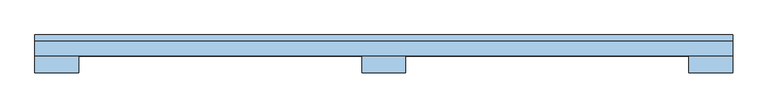
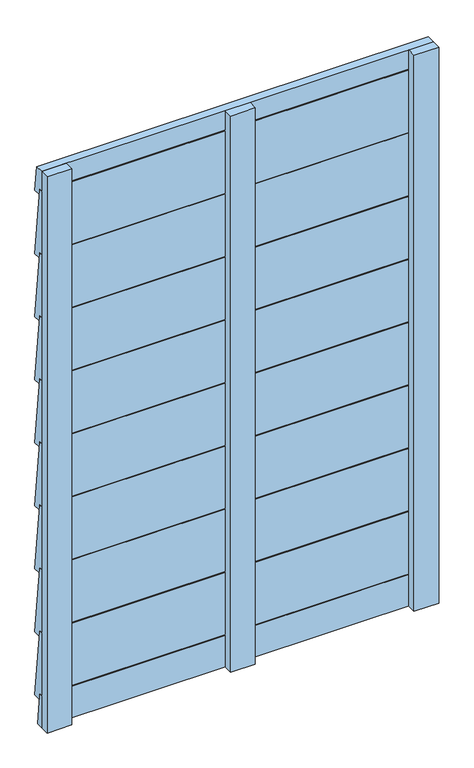
"""IFC4 building model written with IfcOpenShell, lengths in millimetres: window geometry."""

from ifc_helpers import new_model, si_unit, frame, origin, place, context, project, spatial, polyline, outline, extrude, source, transform, mapped, element, save


def window_f86c9b1f(model_context):
    return source(origin(), model_context, "Body", "SweptSolid", [
        extrude(outline(polyline([(28.4476803, 355.0), (50.0, 170.0), (30.4838046, 170.9114287), (30.4838046, 187.0), (20.4838046, 187.0), (20.4838046, 355.0), (28.4476803, 355.0)])), frame((-500.0, 0.0, 0.0), z_axis=(1.0, 0.0, 0.0), x_axis=(0.0, 1.0, 0.0)), (0.0, 0.0, 1.0), 1000.0),
        extrude(outline(polyline([(28.4476803, 525.0), (50.0, 340.0), (30.4838046, 340.9114287), (30.4838046, 357.0), (20.4838046, 357.0), (20.4838046, 525.0), (28.4476803, 525.0)])), frame((-500.0, 0.0, 0.0), z_axis=(1.0, 0.0, 0.0), x_axis=(0.0, 1.0, 0.0)), (0.0, 0.0, 1.0), 1000.0),
        extrude(outline(polyline([(28.4476803, 695.0), (50.0, 510.0), (30.4838046, 510.9114287), (30.4838046, 527.0), (20.4838046, 527.0), (20.4838046, 695.0), (28.4476803, 695.0)])), frame((-500.0, 0.0, 0.0), z_axis=(1.0, 0.0, 0.0), x_axis=(0.0, 1.0, 0.0)), (0.0, 0.0, 1.0), 1000.0),
        extrude(outline(polyline([(28.4476803, 865.0), (50.0, 680.0), (30.4838046, 680.9114287), (30.4838046, 697.0), (20.4838046, 697.0), (20.4838046, 865.0), (28.4476803, 865.0)])), frame((-500.0, 0.0, 0.0), z_axis=(1.0, 0.0, 0.0), x_axis=(0.0, 1.0, 0.0)), (0.0, 0.0, 1.0), 1000.0),
        extrude(outline(polyline([(28.4476803, 1035.0), (50.0, 850.0), (30.4838046, 850.9114287), (30.4838046, 867.0), (20.4838046, 867.0), (20.4838046, 1035.0), (28.4476803, 1035.0)])), frame((-500.0, 0.0, 0.0), z_axis=(1.0, 0.0, 0.0), x_axis=(0.0, 1.0, 0.0)), (0.0, 0.0, 1.0), 1000.0),
        extrude(outline(polyline([(28.4476803, 1205.0), (50.0, 1020.0), (30.4838046, 1020.9114287), (30.4838046, 1037.0), (20.4838046, 1037.0), (20.4838046, 1205.0), (28.4476803, 1205.0)])), frame((-500.0, 0.0, 0.0), z_axis=(1.0, 0.0, 0.0), x_axis=(0.0, 1.0, 0.0)), (0.0, 0.0, 1.0), 1000.0),
        extrude(outline(polyline([(28.4476803, 1375.0), (50.0, 1190.0), (30.4838046, 1190.9114287), (30.4838046, 1207.0), (20.4838046, 1207.0), (20.4838046, 1375.0), (28.4476803, 1375.0)])), frame((-500.0, 0.0, 0.0), z_axis=(1.0, 0.0, 0.0), x_axis=(0.0, 1.0, 0.0)), (0.0, 0.0, 1.0), 1000.0),
        extrude(outline(polyline([(28.4476803, 1545.0), (50.0, 1360.0), (30.4838046, 1360.9114287), (30.4838046, 1377.0), (20.4838046, 1377.0), (20.4838046, 1545.0), (28.4476803, 1545.0)])), frame((-500.0, 0.0, 0.0), z_axis=(1.0, 0.0, 0.0), x_axis=(0.0, 1.0, 0.0)), (0.0, 0.0, 1.0), 1000.0),
        extrude(outline(polyline([(27.9254859, 185.0), (38.1067842, 100.0), (20.0, 100.0), (20.0, 185.0), (27.9254859, 185.0)])), frame((-500.0, 0.0, 0.0), z_axis=(1.0, 0.0, 0.0), x_axis=(0.0, 1.0, 0.0)), (0.0, 0.0, 1.0), 1000.0),
        extrude(outline(polyline([(41.9615673, 1600.0), (50.0, 1531.0), (30.4939596, 1531.9114287), (30.4939596, 1548.0), (20.4939596, 1548.0), (20.4939596, 1600.0), (41.9615673, 1600.0)])), frame((-500.0, 0.0, 0.0), z_axis=(1.0, 0.0, 0.0), x_axis=(0.0, 1.0, 0.0)), (0.0, 0.0, 1.0), 1000.0),
        extrude(outline(polyline([(-31.5, 20.1), (31.5, 20.1), (31.5, -3.9), (-31.5, -3.9), (-31.5, 20.1)])), frame((0.0, 0.0, 100.0), z_axis=(0.0, 0.0, 1.0), x_axis=(1.0, 0.0, 0.0)), (0.0, 0.0, 1.0), 1500.0),
        extrude(outline(polyline([(-500.0, 20.0), (-437.0, 20.0), (-437.0, -4.0), (-500.0, -4.0), (-500.0, 20.0)])), frame((0.0, 0.0, 100.0), z_axis=(0.0, 0.0, 1.0), x_axis=(1.0, 0.0, 0.0)), (0.0, 0.0, 1.0), 1500.0),
        extrude(outline(polyline([(437.0, 20.0), (500.0, 20.0), (500.0, -4.0), (437.0, -4.0), (437.0, 20.0)])), frame((0.0, 0.0, 100.0), z_axis=(0.0, 0.0, 1.0), x_axis=(1.0, 0.0, 0.0)), (0.0, 0.0, 1.0), 1500.0),
    ])


if __name__ == "__main__":
    model = new_model("IFC4")
    model_context = context("Model", 3, world=origin())
    ifc_project = project(units=[si_unit("LENGTHUNIT", "METRE", prefix="MILLI")], contexts=[model_context])
    site = spatial("IfcSite", under=ifc_project)
    building = spatial("IfcBuilding", under=site)
    placement = place(None, origin())
    window_shape = window_f86c9b1f(model_context)
    element("IfcWindow", 1, at=placement, inside=building, context=model_context, shape_type="MappedRepresentation", body=[
        mapped(window_shape, transform((0.0, 0.0, 0.0), x_axis=(1.0, 0.0, 0.0), y_axis=(0.0, 1.0, 0.0), z_axis=(0.0, 0.0, 1.0))),
    ])
    save(model, "model.ifc")
